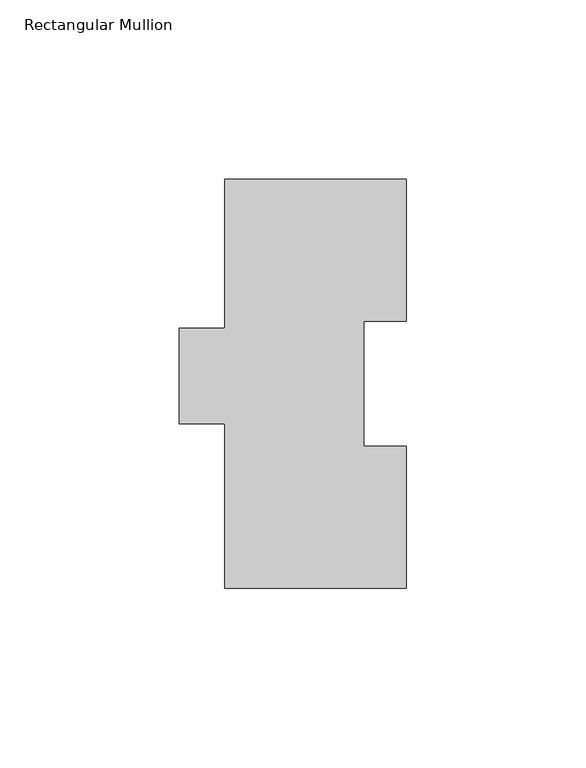
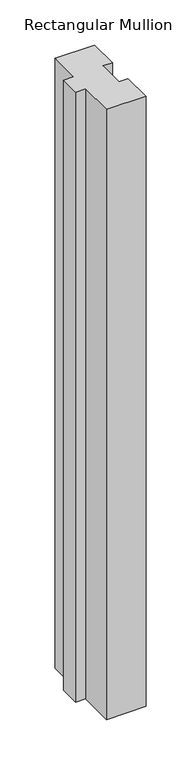
"""IFC4 building model written with IfcOpenShell, lengths in millimetres: member geometry, Rectangular Mullion."""

from ifc_helpers import new_model, si_unit, frame, origin, place, context, project, spatial, polyline, outline, extrude, source, transform, mapped, element, save


def rectangular_mullion_458e7123(model_context):
    return source(origin(), model_context, "Body", "SweptSolid", [
        extrude(outline(polyline([(0.0, 114.271425), (0.0, 74.596625), (-11.9126, 74.596625), (-11.9126, 39.646225), (0.0, 39.646225), (0.0, -0.028575), (-50.8, -0.028575), (-50.8, 46.008925), (-63.5, 46.008925), (-63.5, 72.564625), (-50.8, 72.564625), (-50.8, 114.271425), (0.0, 114.271425)])), frame((0.0, 0.0, -825.4999994), z_axis=(0.0, 0.0, 1.0), x_axis=(1.0, 0.0, 0.0)), (0.0, 0.0, 1.0), 825.4999994),
    ])


if __name__ == "__main__":
    model = new_model("IFC4")
    model_context = context("Model", 3, world=origin())
    ifc_project = project(units=[si_unit("LENGTHUNIT", "METRE", prefix="MILLI")], contexts=[model_context])
    site = spatial("IfcSite", under=ifc_project)
    building = spatial("IfcBuilding", under=site)
    placement = place(None, origin())
    rectangular_mullion_shape = rectangular_mullion_458e7123(model_context)
    element("IfcMember", 1, ObjectType="Rectangular Mullion", at=placement, inside=building, context=model_context, shape_type="MappedRepresentation", body=[
        mapped(rectangular_mullion_shape, transform((0.0, 0.0, 0.0), x_axis=(1.0, 0.0, 0.0), y_axis=(0.0, 1.0, 0.0), z_axis=(0.0, 0.0, 1.0))),
    ])
    save(model, "model.ifc")
